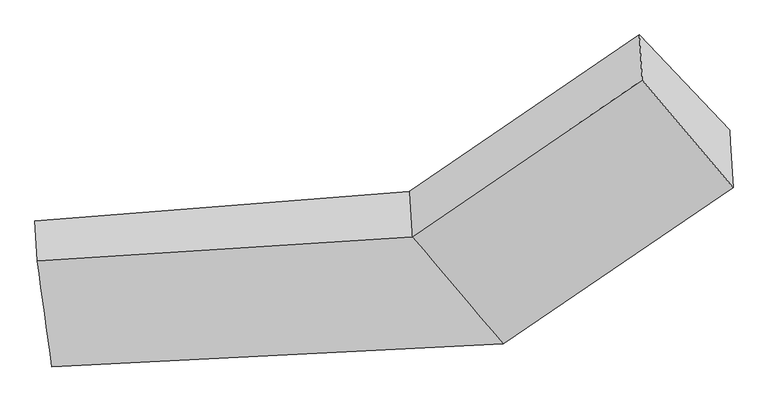
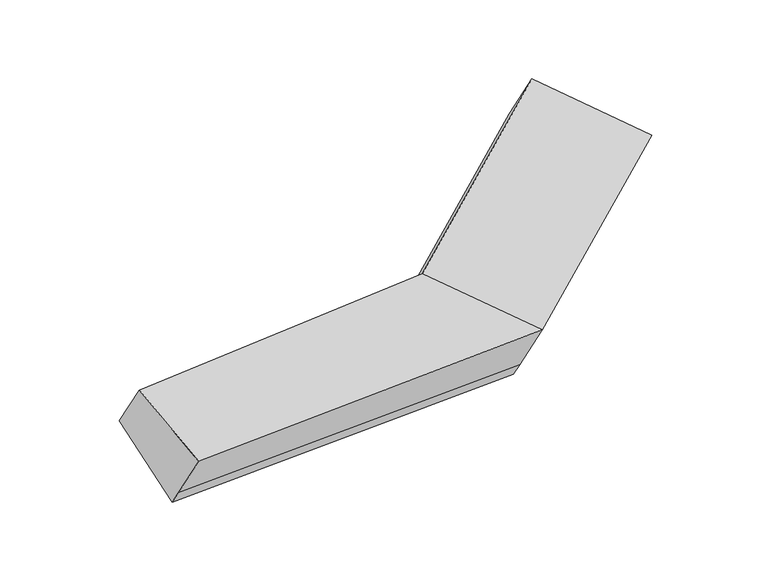
"""IFC4 building model written with IfcOpenShell, lengths in millimetres: proxy geometry."""

from ifc_helpers import new_model, si_unit, frame, origin, place, context, project, spatial, source, transform, mapped, element, save
from ifc_brep_helpers import plane_surface, spline_surface, advanced_brep


def generic_models_c22edef9(model_context):
    return source(origin(), model_context, "Body", "AdvancedBrep", [
        advanced_brep(
        [(-2150.9889897, -1737.8159754, 1730.6323388), (-2135.9706223, -1979.7120764, 2123.7213589), (137.5462287, -1833.2645606, 2192.1339831), (120.4703778, -1558.2292211, 1745.1926245), (-2068.2249621, -2302.6438324, 1379.8908276), (667.1698049, -2136.0000618, 1368.7612337), (-2063.5093529, -2378.5966601, 1503.3166393), (671.7228069, -2209.3338265, 1487.9309829), (-2048.3027141, -2623.5251902, 1901.3334551), (688.8209902, -2484.7288656, 1935.4568652), (2066.7884237, -1258.641935, 2014.6664103), (2062.2354218, -1185.3081703, 1895.496661), (1515.5359946, -607.5373296, 2271.9280518), (1532.6118455, -882.5726691, 2718.8694105), (2083.886607, -1534.0369741, 2462.1922925)],
        [
            (0, 1),
            (1, 2),
            (2, 3),
            (3, 0),
            (4, 0),
            (0, 5),
            (5, 4),
            (6, 4),
            (5, 7),
            (7, 6),
            (8, 6),
            (7, 9),
            (9, 8),
            (1, 8),
            (9, 2),
            (10, 11),
            (11, 12),
            (12, 13),
            (13, 14),
            (14, 10),
            (3, 5),
            (5, 11),
            (10, 7),
            (3, 12),
            (2, 13),
            (9, 14),
        ],
        [
            plane_surface(frame((-2143.479806, -1858.7640259, 1927.1768489), z_axis=(-0.07043566549765161, 0.8483443427692225, 0.5247386903186758), x_axis=(0.032521442488638835, -0.523812604937179, 0.8512124944380136))),
            plane_surface(frame((-2109.6069759, -2020.2299039, 1555.2615832), z_axis=(-0.0353537287483044, 0.5234615635158919, -0.8513155145920281), x_axis=(-0.12352839942388358, 0.8430266522265739, 0.5234947928790018))),
            plane_surface(frame((-2065.8671575, -2340.6202462, 1441.6037335), z_axis=(0.04963347870816638, -0.8497657960532022, -0.5248186445329409), x_axis=(-0.032521442488639245, 0.5238126049371786, -0.8512124944380136))),
            plane_surface(frame((-2055.9060335, -2501.0609251, 1702.3250472), z_axis=(0.049633478708166055, -0.8497657960532019, -0.5248186445329417), x_axis=(-0.032521442488638835, 0.5238126049371794, -0.8512124944380133))),
            spline_surface(1, 1, [[(-2135.9706223, -1979.7120764, 2123.7213589), (137.5462287, -1833.2645606, 2192.1339831)], [(-2048.3027141, -2623.5251902, 1901.3334551), (688.8209902, -2484.7288656, 1935.4568652)]], [2, 2], [2, 2], [0.0, 1.0], [0.0, 1.0]),
            plane_surface(frame((1798.5674672, -1052.3637858, 2337.121604), z_axis=(0.7829378021590077, 0.5427266760792535, 0.3040660339833897), x_axis=(-0.03252144248863882, 0.5238126049371791, -0.8512124944380135))),
            plane_surface(frame((-2100.8718221, -2160.9242686, 1783.8944951), z_axis=(-0.9918079906485084, -0.12217372280725536, -0.03728928989916885), x_axis=(-0.032521442488638384, 0.5238126049371785, -0.8512124944380138))),
            plane_surface(frame((-2150.9889897, -1737.8159754, 1730.6323388), z_axis=(-0.03577095357488122, 0.521555361393087, -0.8524672685109209), x_axis=(-0.6212493490772292, 0.6565577735286456, 0.4277629440358606))),
            plane_surface(frame((669.4463059, -2172.6669442, 1428.3461083), z_axis=(0.6136133638482957, -0.6617996691319654, -0.43069692086617056), x_axis=(-0.032521442488450646, 0.5238126049373438, -0.8512124944379191))),
            plane_surface(frame((393.8200914, -1847.1146415, 1556.9769291), z_axis=(-0.034403478053456005, 0.5225064131771038, -0.8519409890870514), x_axis=(-0.6212493490772292, 0.6565577735286456, 0.4277629440358606))),
            plane_surface(frame((129.0083032, -1695.7468909, 1968.6633038), z_axis=(-0.6136133638482981, 0.6617996691319828, 0.4306969208661406), x_axis=(0.032521442488638606, -0.5238126049371786, 0.8512124944380137))),
            plane_surface(frame((413.1836095, -2158.9967131, 2063.7954242), z_axis=(-0.06290093362395496, -0.4114718216587506, 0.9092493676269808), x_axis=(0.6185932146905543, -0.7310173200112062, -0.28802102802128837))),
            plane_surface(frame((680.2718985, -2347.0313461, 1711.6939241), z_axis=(0.6136133638482973, -0.661799669131988, -0.43069692086613365), x_axis=(-0.03252144248868893, 0.5238126049371352, -0.8512124944380385))),
        ],
        [
            (0, [[1, 2, 3, 4]]),
            (1, [[5, 6, 7]]),
            (2, [[8, -7, 9, 10]]),
            (3, [[11, -10, 12, 13]]),
            (4, [[14, -13, 15, -2]]),
            (5, [[16, 17, 18, 19, 20]]),
            (6, [[-1, -5, -8, -11, -14]]),
            (7, [[21, -6, -4]]),
            (8, [[-9, 22, -16, 23]]),
            (9, [[-21, 24, -17, -22]]),
            (10, [[-3, 25, -18, -24]]),
            (11, [[-15, 26, -19, -25]]),
            (12, [[-12, -23, -20, -26]]),
        ],
    ),
    ])


if __name__ == "__main__":
    model = new_model("IFC4")
    model_context = context("Model", 3, world=origin())
    ifc_project = project(units=[si_unit("LENGTHUNIT", "METRE", prefix="MILLI")], contexts=[model_context])
    site = spatial("IfcSite", under=ifc_project)
    building = spatial("IfcBuilding", under=site)
    placement = place(None, origin())
    generic_models_shape = generic_models_c22edef9(model_context)
    element("IfcBuildingElementProxy", 1, Name="Generic Models", at=placement, inside=building, context=model_context, shape_type="MappedRepresentation", body=[
        mapped(generic_models_shape, transform((0.0, 0.0, 0.0), x_axis=(1.0, 0.0, 0.0), y_axis=(0.0, 1.0, 0.0), z_axis=(0.0, 0.0, 1.0))),
    ])
    save(model, "model.ifc")
